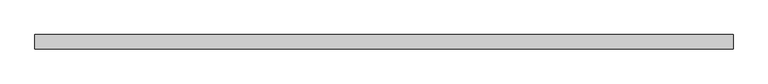
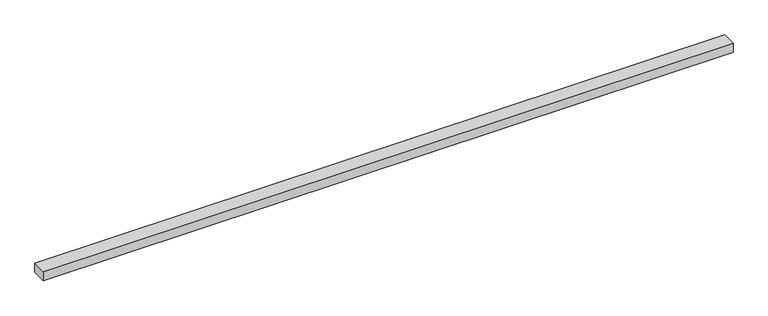
"""IFC4 building model written with IfcOpenShell, lengths in millimetres: proxy geometry."""

from ifc_helpers import new_model, si_unit, frame, origin, origin_with_axes, place, context, project, spatial, polyline, outline, extrude, source, transform, mapped, element, save


def specialty_equipment_b732a9d6(model_context):
    return source(origin(), model_context, "Body", "SweptSolid", [
        extrude(outline(polyline([(1828.8, -38.1), (-1828.8, -38.1), (-1828.8, 38.1), (1828.8, 38.1), (1828.8, -38.1)])), origin_with_axes(), (0.0, 0.0, 1.0), 50.8),
        extrude(outline(polyline([(-17.4625, 3.175), (-17.4625, 19.05), (-26.9875, 19.05), (-26.9875, 28.575), (26.9875, 28.575), (26.9875, 19.05), (7.7390625, 19.05), (20.6375, 3.175), (30.1625, 3.175), (30.1625, 0.0), (-30.1625, 0.0), (-30.1625, 3.175), (-17.4625, 3.175)])), frame((-609.6, 0.0, 0.0), z_axis=(1.0, 0.0, 0.0), x_axis=(0.0, 1.0, 0.0)), (0.0, 0.0, 1.0), 1219.2),
    ])


if __name__ == "__main__":
    model = new_model("IFC4")
    model_context = context("Model", 3, world=origin())
    ifc_project = project(units=[si_unit("LENGTHUNIT", "METRE", prefix="MILLI")], contexts=[model_context])
    site = spatial("IfcSite", under=ifc_project)
    building = spatial("IfcBuilding", under=site)
    placement = place(None, origin())
    specialty_equipment_shape = specialty_equipment_b732a9d6(model_context)
    element("IfcBuildingElementProxy", 1, Name="Specialty Equipment", at=placement, inside=building, context=model_context, shape_type="MappedRepresentation", body=[
        mapped(specialty_equipment_shape, transform((0.0, 0.0, 0.0), x_axis=(1.0, 0.0, 0.0), y_axis=(0.0, 1.0, 0.0), z_axis=(0.0, 0.0, 1.0))),
    ])
    save(model, "model.ifc")
